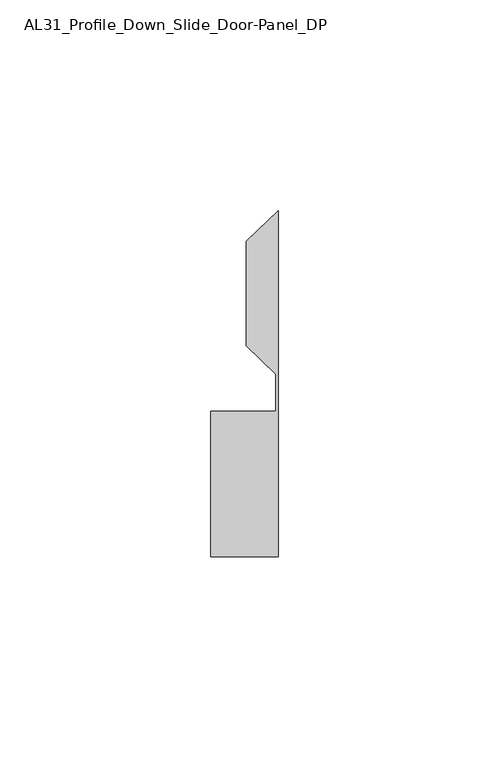
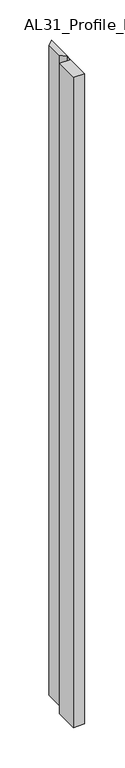
"""IFC4 building model written with IfcOpenShell, lengths in millimetres: member geometry, AL31_Profile_Down_Slide_Door-Panel_DP."""

from ifc_helpers import new_model, si_unit, frame, origin, place, context, project, spatial, polyline, outline, extrude, source, transform, mapped, element, save


def al31_profile_down_slide_door_panel_dp_45d7b274(model_context):
    return source(origin(), model_context, "Body", "SweptSolid", [
        extrude(outline(polyline([(0.0, -37.107), (-16.0427074, -37.107), (-16.0427074, -2.607), (-0.5072866, -2.607), (-0.5072866, 6.2574907), (-7.6107048, 13.0546075), (-7.6107048, 37.8269611), (0.0, 45.1094902), (0.0, -37.107)])), frame((0.0, 0.0, -981.0810043), z_axis=(0.0, 0.0, 1.0), x_axis=(1.0, 0.0, 0.0)), (0.0, 0.0, 1.0), 981.0810043),
    ])


if __name__ == "__main__":
    model = new_model("IFC4")
    model_context = context("Model", 3, world=origin())
    ifc_project = project(units=[si_unit("LENGTHUNIT", "METRE", prefix="MILLI")], contexts=[model_context])
    site = spatial("IfcSite", under=ifc_project)
    building = spatial("IfcBuilding", under=site)
    placement = place(None, origin())
    al31_profile_down_slide_door_panel_dp_shape = al31_profile_down_slide_door_panel_dp_45d7b274(model_context)
    element("IfcMember", 1, ObjectType="AL31_Profile_Down_Slide_Door-Panel_DP", at=placement, inside=building, context=model_context, shape_type="MappedRepresentation", body=[
        mapped(al31_profile_down_slide_door_panel_dp_shape, transform((0.0, 0.0, 0.0), x_axis=(1.0, 0.0, 0.0), y_axis=(0.0, 1.0, 0.0), z_axis=(0.0, 0.0, 1.0))),
    ])
    save(model, "model.ifc")
